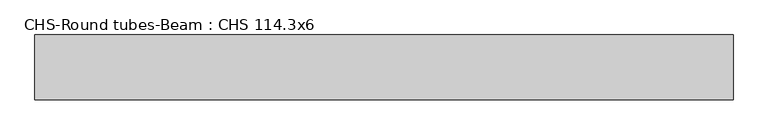
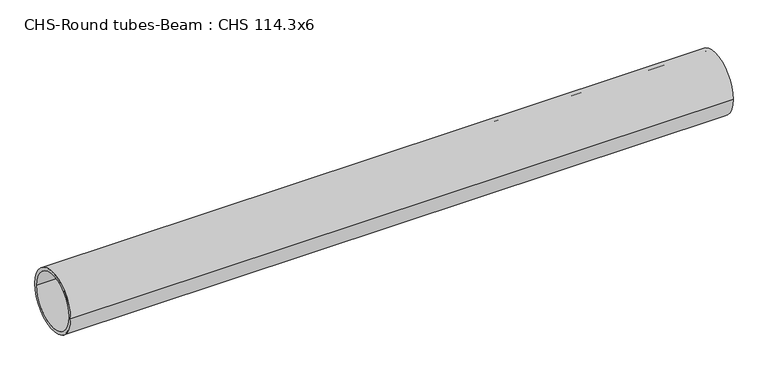
"""IFC4 building model written with IfcOpenShell, lengths in millimetres: beam geometry, CHS-Round tubes-Beam : CHS 114.3x6."""

from ifc_helpers import new_model, si_unit, point, frame, origin, origin_2d, place, context, project, spatial, circle_curve, trimmed, segment, composite_curve, outline, extrude, source, transform, mapped, element, save


def chs_round_tubes_beam_chs_114_3x6_15f414ac(model_context):
    return source(origin(), model_context, "Body", "SweptSolid", [
        extrude(outline(composite_curve([segment(trimmed(circle_curve(origin_2d(), 57.15), [point((57.15, 0.0))], [point((-57.15, 0.0))], False, "CARTESIAN"), True, "CONTINUOUS"), segment(trimmed(circle_curve(origin_2d(), 57.15), [point((-57.15, 0.0))], [point((57.15, 0.0))], False, "CARTESIAN"), True, "CONTINUOUS")], self_intersect=False), holes=[composite_curve([segment(trimmed(circle_curve(origin_2d(), 51.15), [point((51.15, 0.0))], [point((-51.15, 0.0))], True, "CARTESIAN"), True, "CONTINUOUS"), segment(trimmed(circle_curve(origin_2d(), 51.15), [point((-51.15, 0.0))], [point((51.15, 0.0))], True, "CARTESIAN"), True, "CONTINUOUS")], self_intersect=False)]), frame((-605.0625573, 0.0, 0.0), z_axis=(1.0, 0.0, 0.0), x_axis=(0.0, 1.0, 0.0)), (0.0, 0.0, 1.0), 1230.0360672),
    ])


if __name__ == "__main__":
    model = new_model("IFC4")
    model_context = context("Model", 3, world=origin())
    ifc_project = project(units=[si_unit("LENGTHUNIT", "METRE", prefix="MILLI")], contexts=[model_context])
    site = spatial("IfcSite", under=ifc_project)
    building = spatial("IfcBuilding", under=site)
    placement = place(None, origin())
    chs_round_tubes_beam_chs_114_3x6_shape = chs_round_tubes_beam_chs_114_3x6_15f414ac(model_context)
    element("IfcBeam", 1, ObjectType="CHS-Round tubes-Beam : CHS 114.3x6", at=placement, inside=building, context=model_context, shape_type="MappedRepresentation", body=[
        mapped(chs_round_tubes_beam_chs_114_3x6_shape, transform((0.0, 0.0, 0.0), x_axis=(1.0, 0.0, 0.0), y_axis=(0.0, 1.0, 0.0), z_axis=(0.0, 0.0, 1.0))),
    ])
    save(model, "model.ifc")
